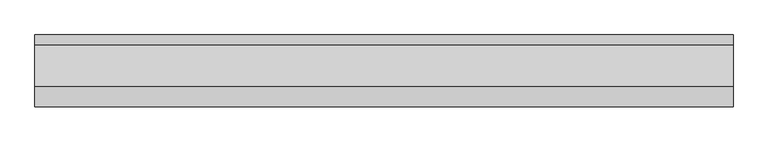
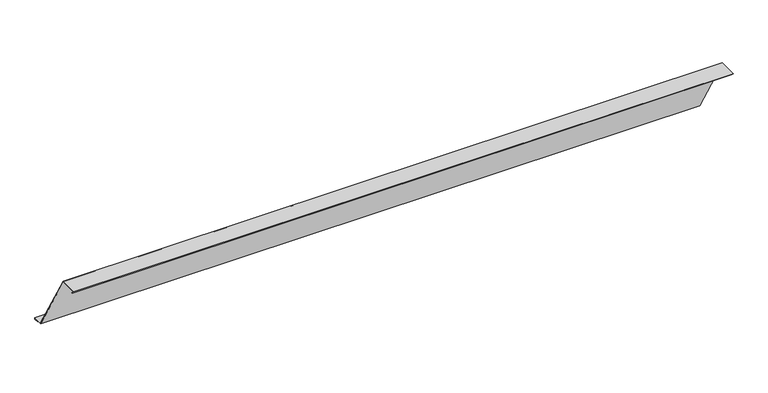
"""IFC4 building model written with IfcOpenShell, lengths in millimetres: proxy geometry."""

from ifc_helpers import new_model, si_unit, frame, origin, place, context, project, spatial, polyline, outline, extrude, source, transform, mapped, element, save


def generic_models_7ac7b4d5(model_context):
    return source(origin(), model_context, "Body", "SweptSolid", [
        extrude(outline(polyline([(103.715789, 2.0), (93.715789, 2.0), (93.715789, 3.0), (102.715789, 3.0), (102.715789, 4.0), (82.7668245, 4.0), (-0.9489646, 149.0), (-37.5857864, 149.0), (-32.2218254, 143.636039), (-32.9289322, 142.9289322), (-40.0, 150.0), (0.0, 150.0), (83.715789, 5.0), (103.715789, 5.0), (103.715789, 2.0)])), frame((0.0, 0.0, 0.0), z_axis=(1.0, 0.0, 0.0), x_axis=(0.0, 1.0, 0.0)), (0.0, 0.0, 1.0), 1400.0),
    ])


if __name__ == "__main__":
    model = new_model("IFC4")
    model_context = context("Model", 3, world=origin())
    ifc_project = project(units=[si_unit("LENGTHUNIT", "METRE", prefix="MILLI")], contexts=[model_context])
    site = spatial("IfcSite", under=ifc_project)
    building = spatial("IfcBuilding", under=site)
    placement = place(None, origin())
    generic_models_shape = generic_models_7ac7b4d5(model_context)
    element("IfcBuildingElementProxy", 1, Name="Generic Models", at=placement, inside=building, context=model_context, shape_type="MappedRepresentation", body=[
        mapped(generic_models_shape, transform((0.0, 0.0, 0.0), x_axis=(1.0, 0.0, 0.0), y_axis=(0.0, 1.0, 0.0), z_axis=(0.0, 0.0, 1.0))),
    ])
    save(model, "model.ifc")
